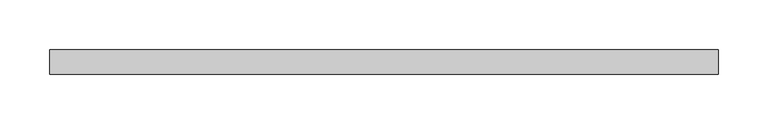
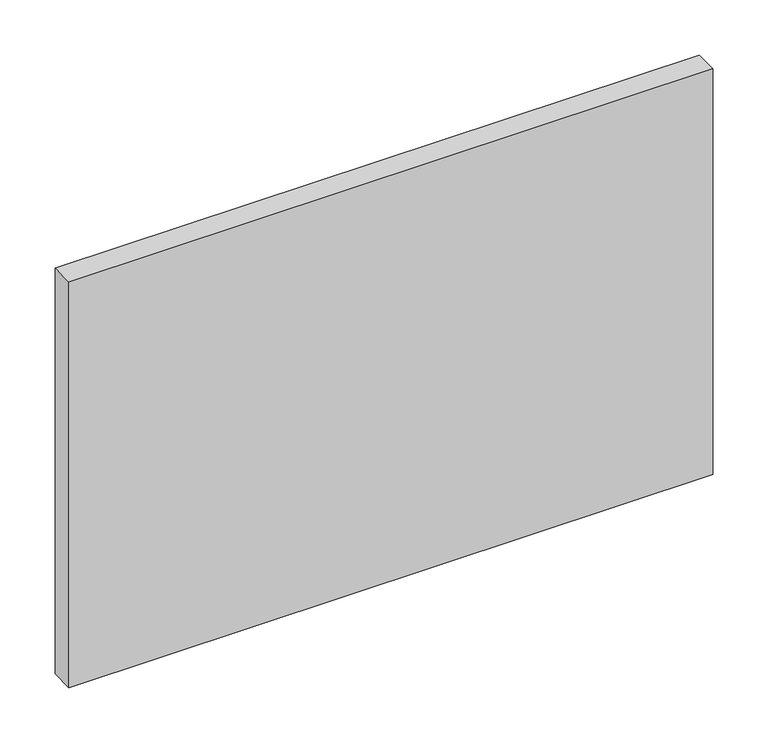
"""IFC4 building model written with IfcOpenShell, lengths in millimetres: plate geometry."""

from ifc_helpers import new_model, si_unit, origin, origin_with_axes, place, context, project, spatial, polyline, outline, extrude, source, transform, mapped, element, save


def plate_c5ead3c1(model_context):
    return source(origin(), model_context, "Body", "SweptSolid", [
        extrude(outline(polyline([(337.5, -12.5), (-337.5, -12.5), (-337.5, 12.5), (337.5, 12.5), (337.5, -12.5)])), origin_with_axes(), (0.0, 0.0, 1.0), 450.0),
    ])


if __name__ == "__main__":
    model = new_model("IFC4")
    model_context = context("Model", 3, world=origin())
    ifc_project = project(units=[si_unit("LENGTHUNIT", "METRE", prefix="MILLI")], contexts=[model_context])
    site = spatial("IfcSite", under=ifc_project)
    building = spatial("IfcBuilding", under=site)
    placement = place(None, origin())
    plate_shape = plate_c5ead3c1(model_context)
    element("IfcPlate", 1, at=placement, inside=building, context=model_context, shape_type="MappedRepresentation", body=[
        mapped(plate_shape, transform((0.0, 0.0, 0.0), x_axis=(1.0, 0.0, 0.0), y_axis=(0.0, 1.0, 0.0), z_axis=(0.0, 0.0, 1.0))),
    ])
    save(model, "model.ifc")
